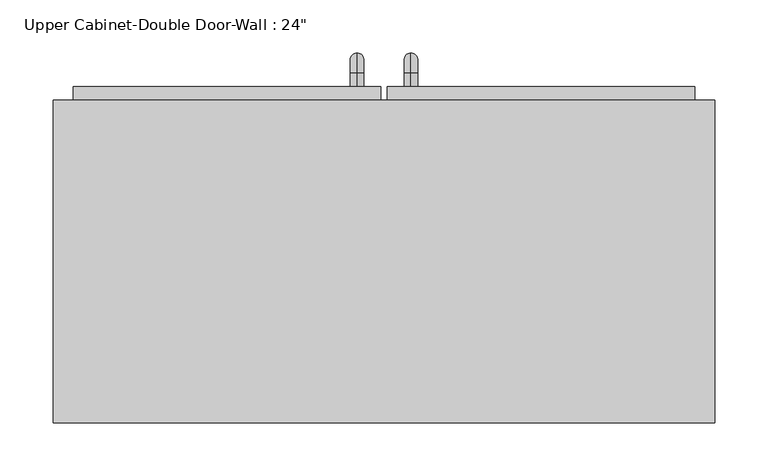
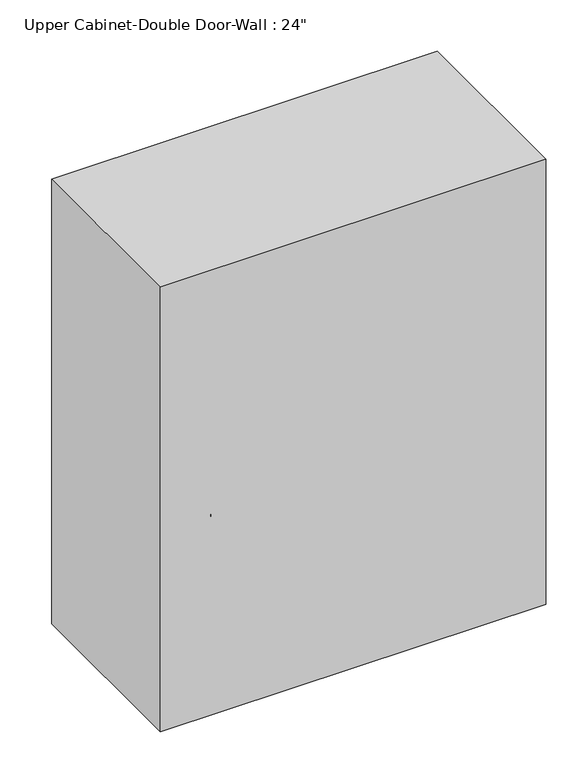
"""IFC4 building model written with IfcOpenShell, lengths in millimetres: furniture geometry."""

from ifc_helpers import new_model, si_unit, point, frame, origin, place, context, project, spatial, polyline, circle_curve, ellipse_curve, trimmed, outline, extrude, faceted_brep, source, transform, mapped, element, save
from ifc_brep_helpers import plane_surface, cylinder_surface, revolved_surface, advanced_brep


def furniture_cf64685e(model_context):
    return source(origin(), model_context, "Body", "SolidModel", [
        faceted_brep([(-282.4247154, 50.8, 2133.6), (-282.4247154, 50.8, 1371.6), (341.967041, 50.8, 1371.6), (341.967041, 50.8, 2133.6), (-282.4247154, 355.6, 2133.6), (341.967041, 355.6, 2133.6), (341.967041, 355.6, 1371.6), (-282.4247154, 355.6, 1371.6), (-263.3747154, 355.6, 2114.55), (-263.3747154, 355.6, 1390.65), (322.917041, 355.6, 1390.65), (322.917041, 355.6, 2114.55), (322.917041, 69.85, 2114.55), (-263.3747154, 69.85, 2114.55), (322.917041, 69.85, 1390.65), (-263.3747154, 69.85, 1390.65)], [[[0, 1, 2, 3]], [[4, 5, 6, 7], [8, 9, 10, 11]], [[1, 0, 4, 7]], [[2, 1, 7, 6]], [[3, 2, 6, 5]], [[0, 3, 5, 4]], [[8, 11, 12, 13]], [[11, 10, 14, 12]], [[10, 9, 15, 14]], [[9, 8, 13, 15]], [[13, 12, 14, 15]]]),
        advanced_brep(
        [(55.1711628, 368.3, 1517.65), (55.1711628, 368.3, 1530.35), (55.1711628, 381.0, 1517.65), (55.1711628, 381.0, 1530.35), (55.1711628, 400.05, 1511.3), (55.1711628, 387.35, 1511.3), (55.1711628, 387.35, 1435.1), (55.1711628, 400.05, 1435.1), (55.1711628, 381.0, 1416.05), (55.1711628, 381.0, 1428.75), (55.1711628, 368.3, 1428.75), (55.1711628, 368.3, 1416.05)],
        [
            (0, 1, circle_curve(frame((55.1711628, 368.3, 1524.0), z_axis=(0.0, -1.0, 0.0), x_axis=(0.0, 0.0, -1.0)), 6.35)),
            (1, 0, circle_curve(frame((55.1711628, 368.3, 1524.0), z_axis=(0.0, -1.0, 0.0), x_axis=(0.0, 0.0, -1.0)), 6.35)),
            (0, 2),
            (2, 3, circle_curve(frame((55.1711628, 381.0, 1524.0), z_axis=(0.0, -1.0, 0.0), x_axis=(0.0, 0.0, -1.0)), 6.35)),
            (3, 1),
            (3, 2, circle_curve(frame((55.1711628, 381.0, 1524.0), z_axis=(0.0, -1.0, 0.0), x_axis=(0.0, 0.0, -1.0)), 6.35)),
            (4, 3, circle_curve(frame((55.1711628, 381.0, 1511.3), z_axis=(1.0, 0.0, 0.0), x_axis=(0.0, 0.0, 1.0)), 19.05)),
            (2, 5, circle_curve(frame((55.1711628, 381.0, 1511.3), z_axis=(-1.0, 0.0, 0.0), x_axis=(0.0, 0.0, 1.0)), 6.35)),
            (5, 4, circle_curve(frame((55.1711628, 393.7, 1511.3), z_axis=(0.0, 0.0, 1.0), x_axis=(0.0, -1.0, 0.0)), 6.35)),
            (4, 5, circle_curve(frame((55.1711628, 393.7, 1511.3), z_axis=(0.0, 0.0, 1.0), x_axis=(0.0, -1.0, 0.0)), 6.35)),
            (5, 6),
            (6, 7, circle_curve(frame((55.1711628, 393.7, 1435.1), z_axis=(0.0, 0.0, 1.0), x_axis=(0.0, -1.0, 0.0)), 6.35)),
            (7, 4),
            (7, 6, circle_curve(frame((55.1711628, 393.7, 1435.1), z_axis=(0.0, 0.0, 1.0), x_axis=(0.0, -1.0, 0.0)), 6.35)),
            (8, 7, circle_curve(frame((55.1711628, 381.0, 1435.1), z_axis=(1.0, 0.0, 0.0), x_axis=(0.0, 1.0, 0.0)), 19.05)),
            (6, 9, circle_curve(frame((55.1711628, 381.0, 1435.1), z_axis=(-1.0, 0.0, 0.0), x_axis=(0.0, 1.0, 0.0)), 6.35)),
            (9, 8, circle_curve(frame((55.1711628, 381.0, 1422.4), z_axis=(0.0, 1.0, 0.0), x_axis=(0.0, 0.0, 1.0)), 6.35)),
            (8, 9, circle_curve(frame((55.1711628, 381.0, 1422.4), z_axis=(0.0, 1.0, 0.0), x_axis=(0.0, 0.0, 1.0)), 6.35)),
            (10, 11, circle_curve(frame((55.1711628, 368.3, 1422.4), z_axis=(0.0, -1.0, 0.0), x_axis=(0.0, 0.0, 1.0)), 6.35)),
            (11, 10, circle_curve(frame((55.1711628, 368.3, 1422.4), z_axis=(0.0, -1.0, 0.0), x_axis=(0.0, 0.0, 1.0)), 6.35)),
            (9, 10),
            (11, 8),
        ],
        [
            plane_surface(frame((48.8211628, 368.3, 1524.0), z_axis=(0.0, -1.0, 0.0), x_axis=(0.0, 0.0, 1.0))),
            cylinder_surface(frame((55.1711628, 368.3, 1524.0), z_axis=(0.0, -1.0, 0.0), x_axis=(0.0, 0.0, -1.0)), 6.35),
            revolved_surface(trimmed(ellipse_curve(frame((55.1711628, 381.0, 1524.0), z_axis=(0.0, -1.0, 0.0), x_axis=(0.0, 0.0, -1.0)), 6.35, 6.35), [point((55.1711628, 381.0, 1517.65))], [point((55.1711628, 381.0, 1530.35))], True, "CARTESIAN"), (55.1711628, 381.0, 1511.3), (-1.0, 0.0, 0.0)),
            revolved_surface(trimmed(ellipse_curve(frame((55.1711628, 381.0, 1524.0), z_axis=(0.0, -1.0, 0.0), x_axis=(0.0, 0.0, -1.0)), 6.35, 6.35), [point((55.1711628, 381.0, 1530.35))], [point((55.1711628, 381.0, 1517.65))], True, "CARTESIAN"), (55.1711628, 381.0, 1511.3), (-1.0, 0.0, 0.0)),
            cylinder_surface(frame((55.1711628, 393.7, 1511.3), z_axis=(0.0, 0.0, 1.0), x_axis=(0.0, -1.0, 0.0)), 6.35),
            revolved_surface(trimmed(ellipse_curve(frame((55.1711628, 393.7, 1435.1), z_axis=(0.0, 0.0, 1.0), x_axis=(0.0, -1.0, 0.0)), 6.35, 6.35), [point((55.1711628, 387.35, 1435.1))], [point((55.1711628, 400.05, 1435.1))], True, "CARTESIAN"), (55.1711628, 381.0, 1435.1), (-1.0, 0.0, 0.0)),
            revolved_surface(trimmed(ellipse_curve(frame((55.1711628, 393.7, 1435.1), z_axis=(0.0, 0.0, 1.0), x_axis=(0.0, -1.0, 0.0)), 6.35, 6.35), [point((55.1711628, 400.05, 1435.1))], [point((55.1711628, 387.35, 1435.1))], True, "CARTESIAN"), (55.1711628, 381.0, 1435.1), (-1.0, 0.0, 0.0)),
            plane_surface(frame((48.8211628, 368.3, 1422.4), z_axis=(0.0, -1.0, 0.0), x_axis=(0.0, 0.0, -1.0))),
            cylinder_surface(frame((55.1711628, 381.0, 1422.4), z_axis=(0.0, 1.0, 0.0), x_axis=(0.0, 0.0, 1.0)), 6.35),
        ],
        [
            (0, [[1, 2]]),
            (1, [[-1, 3, 4, 5]]),
            (1, [[-2, -5, 6, -3]]),
            (2, [[7, -4, 8, 9]]),
            (3, [[-8, -6, -7, 10]]),
            (4, [[-9, 11, 12, 13]]),
            (4, [[-10, -13, 14, -11]]),
            (5, [[15, -12, 16, 17]]),
            (6, [[-16, -14, -15, 18]]),
            (7, [[19, 20]]),
            (8, [[-17, 21, -20, 22]]),
            (8, [[-18, -22, -19, -21]]),
        ],
    ),
        advanced_brep(
        [(4.3711628, 368.3, 1517.65), (4.3711628, 368.3, 1530.35), (4.3711628, 381.0, 1517.65), (4.3711628, 381.0, 1530.35), (4.3711628, 400.05, 1511.3), (4.3711628, 387.35, 1511.3), (4.3711628, 387.35, 1435.1), (4.3711628, 400.05, 1435.1), (4.3711628, 381.0, 1416.05), (4.3711628, 381.0, 1428.75), (4.3711628, 368.3, 1428.75), (4.3711628, 368.3, 1416.05)],
        [
            (0, 1, circle_curve(frame((4.3711628, 368.3, 1524.0), z_axis=(0.0, -1.0, 0.0), x_axis=(0.0, 0.0, 1.0)), 6.35)),
            (1, 0, circle_curve(frame((4.3711628, 368.3, 1524.0), z_axis=(0.0, -1.0, 0.0), x_axis=(0.0, 0.0, 1.0)), 6.35)),
            (0, 2),
            (2, 3, circle_curve(frame((4.3711628, 381.0, 1524.0), z_axis=(0.0, -1.0, 0.0), x_axis=(0.0, 0.0, 1.0)), 6.35)),
            (3, 1),
            (3, 2, circle_curve(frame((4.3711628, 381.0, 1524.0), z_axis=(0.0, -1.0, 0.0), x_axis=(0.0, 0.0, 1.0)), 6.35)),
            (4, 3, circle_curve(frame((4.3711628, 381.0, 1511.3), z_axis=(1.0, 0.0, 0.0), x_axis=(0.0, 0.0, 1.0)), 19.05)),
            (2, 5, circle_curve(frame((4.3711628, 381.0, 1511.3), z_axis=(-1.0, 0.0, 0.0), x_axis=(0.0, 0.0, 1.0)), 6.35)),
            (5, 4, circle_curve(frame((4.3711628, 393.7, 1511.3), z_axis=(0.0, 0.0, 1.0), x_axis=(0.0, 1.0, 0.0)), 6.35)),
            (4, 5, circle_curve(frame((4.3711628, 393.7, 1511.3), z_axis=(0.0, 0.0, 1.0), x_axis=(0.0, 1.0, 0.0)), 6.35)),
            (5, 6),
            (6, 7, circle_curve(frame((4.3711628, 393.7, 1435.1), z_axis=(0.0, 0.0, 1.0), x_axis=(0.0, 1.0, 0.0)), 6.35)),
            (7, 4),
            (7, 6, circle_curve(frame((4.3711628, 393.7, 1435.1), z_axis=(0.0, 0.0, 1.0), x_axis=(0.0, 1.0, 0.0)), 6.35)),
            (8, 7, circle_curve(frame((4.3711628, 381.0, 1435.1), z_axis=(1.0, 0.0, 0.0), x_axis=(0.0, 1.0, 0.0)), 19.05)),
            (6, 9, circle_curve(frame((4.3711628, 381.0, 1435.1), z_axis=(-1.0, 0.0, 0.0), x_axis=(0.0, 1.0, 0.0)), 6.35)),
            (9, 8, circle_curve(frame((4.3711628, 381.0, 1422.4), z_axis=(0.0, 1.0, 0.0), x_axis=(0.0, 0.0, -1.0)), 6.35)),
            (8, 9, circle_curve(frame((4.3711628, 381.0, 1422.4), z_axis=(0.0, 1.0, 0.0), x_axis=(0.0, 0.0, -1.0)), 6.35)),
            (10, 11, circle_curve(frame((4.3711628, 368.3, 1422.4), z_axis=(0.0, -1.0, 0.0), x_axis=(0.0, 0.0, -1.0)), 6.35)),
            (11, 10, circle_curve(frame((4.3711628, 368.3, 1422.4), z_axis=(0.0, -1.0, 0.0), x_axis=(0.0, 0.0, -1.0)), 6.35)),
            (9, 10),
            (11, 8),
        ],
        [
            plane_surface(frame((-1.9788372, 368.3, 1524.0), z_axis=(0.0, -1.0, 0.0), x_axis=(0.0, 0.0, 1.0))),
            cylinder_surface(frame((4.3711628, 368.3, 1524.0), z_axis=(0.0, -1.0, 0.0), x_axis=(0.0, 0.0, 1.0)), 6.35),
            revolved_surface(trimmed(ellipse_curve(frame((4.3711628, 381.0, 1524.0), z_axis=(0.0, -1.0, 0.0), x_axis=(0.0, 0.0, 1.0)), 6.35, 6.35), [point((4.3711628, 381.0, 1517.65))], [point((4.3711628, 381.0, 1530.35))], True, "CARTESIAN"), (4.3711628, 381.0, 1511.3), (-1.0, 0.0, 0.0)),
            revolved_surface(trimmed(ellipse_curve(frame((4.3711628, 381.0, 1524.0), z_axis=(0.0, -1.0, 0.0), x_axis=(0.0, 0.0, 1.0)), 6.35, 6.35), [point((4.3711628, 381.0, 1530.35))], [point((4.3711628, 381.0, 1517.65))], True, "CARTESIAN"), (4.3711628, 381.0, 1511.3), (-1.0, 0.0, 0.0)),
            cylinder_surface(frame((4.3711628, 393.7, 1511.3), z_axis=(0.0, 0.0, 1.0), x_axis=(0.0, 1.0, 0.0)), 6.35),
            revolved_surface(trimmed(ellipse_curve(frame((4.3711628, 393.7, 1435.1), z_axis=(0.0, 0.0, 1.0), x_axis=(0.0, 1.0, 0.0)), 6.35, 6.35), [point((4.3711628, 387.35, 1435.1))], [point((4.3711628, 400.05, 1435.1))], True, "CARTESIAN"), (4.3711628, 381.0, 1435.1), (-1.0, 0.0, 0.0)),
            revolved_surface(trimmed(ellipse_curve(frame((4.3711628, 393.7, 1435.1), z_axis=(0.0, 0.0, 1.0), x_axis=(0.0, 1.0, 0.0)), 6.35, 6.35), [point((4.3711628, 400.05, 1435.1))], [point((4.3711628, 387.35, 1435.1))], True, "CARTESIAN"), (4.3711628, 381.0, 1435.1), (-1.0, 0.0, 0.0)),
            plane_surface(frame((-1.9788372, 368.3, 1422.4), z_axis=(0.0, -1.0, 0.0), x_axis=(0.0, 0.0, -1.0))),
            cylinder_surface(frame((4.3711628, 381.0, 1422.4), z_axis=(0.0, 1.0, 0.0), x_axis=(0.0, 0.0, -1.0)), 6.35),
        ],
        [
            (0, [[1, 2]]),
            (1, [[-1, 3, 4, 5]]),
            (1, [[-2, -5, 6, -3]]),
            (2, [[7, -4, 8, 9]]),
            (3, [[-8, -6, -7, 10]]),
            (4, [[-9, 11, 12, 13]]),
            (4, [[-10, -13, 14, -11]]),
            (5, [[15, -12, 16, 17]]),
            (6, [[-16, -14, -15, 18]]),
            (7, [[19, 20]]),
            (8, [[-17, 21, -20, 22]]),
            (8, [[-18, -22, -19, -21]]),
        ],
    ),
        extrude(outline(polyline([(32.9461628, 368.3), (322.917041, 368.3), (322.917041, 336.55), (32.9461628, 336.55), (32.9461628, 368.3)])), frame((0.0, 0.0, 1390.65), z_axis=(0.0, 0.0, 1.0), x_axis=(1.0, 0.0, 0.0)), (0.0, 0.0, 1.0), 723.9),
        extrude(outline(polyline([(-263.3747154, 368.3), (26.5961628, 368.3), (26.5961628, 336.55), (-263.3747154, 336.55), (-263.3747154, 368.3)])), frame((0.0, 0.0, 1390.65), z_axis=(0.0, 0.0, 1.0), x_axis=(1.0, 0.0, 0.0)), (0.0, 0.0, 1.0), 723.9),
    ])


if __name__ == "__main__":
    model = new_model("IFC4")
    model_context = context("Model", 3, world=origin())
    ifc_project = project(units=[si_unit("LENGTHUNIT", "METRE", prefix="MILLI")], contexts=[model_context])
    site = spatial("IfcSite", under=ifc_project)
    building = spatial("IfcBuilding", under=site)
    placement = place(None, origin())
    furniture_shape = furniture_cf64685e(model_context)
    element("IfcFurniture", 1, ObjectType="Upper Cabinet-Double Door-Wall : 24\"", at=placement, inside=building, context=model_context, shape_type="MappedRepresentation", body=[
        mapped(furniture_shape, transform((0.0, 0.0, 0.0), x_axis=(1.0, 0.0, 0.0), y_axis=(0.0, 1.0, 0.0), z_axis=(0.0, 0.0, 1.0))),
    ])
    save(model, "model.ifc")
